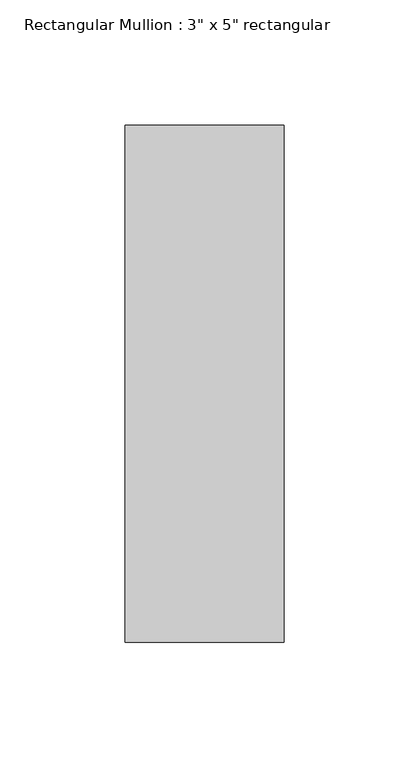
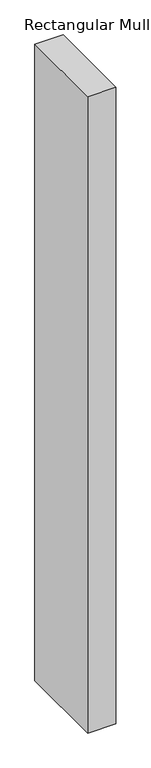
"""IFC4 building model written with IfcOpenShell, lengths in millimetres: member geometry."""

import ifcopenshell
import ifcopenshell.guid

model = None  # the IFC model being written
_history = None  # IfcOwnerHistory: only IFC2X3 demands one
_inside = {}  # id of a spatial element -> (the spatial element, [elements in it])
_under = {}  # id of a project, library or spatial element -> (it, [spatial elements below it])
_declared = {}  # id of a project -> (the project, [libraries it declares])
_typed = {}  # id of a type object -> (the type object, [elements of that type])
_made_of = {}  # id of a material, layer set ... -> (it, [elements and type objects made of it])


def new_model(schema):
    """Start an empty IFC model of exactly this schema.

    Asked for "IFC4X3", IfcOpenShell would pick the latest addendum, in which some entities
    have other attributes; the version numbers below select the first issue.
    IFC2X3 requires an IfcOwnerHistory on every rooted entity: one is made here for all.
    """
    global model, _history
    if schema == "IFC4X3":
        model = ifcopenshell.file(schema_version=(4, 3, 0, 0))
    else:
        model = ifcopenshell.file(schema=schema)
    _inside.clear()
    _under.clear()
    _declared.clear()
    _typed.clear()
    _made_of.clear()
    _history = None
    if model.schema == "IFC2X3":
        org = make("IfcOrganization", Name="unknown")
        user = make(
            "IfcPersonAndOrganization",
            ThePerson=make("IfcPerson", FamilyName="unknown"),
            TheOrganization=org,
        )
        app = make(
            "IfcApplication",
            ApplicationDeveloper=org,
            Version="unknown",
            ApplicationFullName="unknown",
            ApplicationIdentifier="unknown",
        )
        _history = make(
            "IfcOwnerHistory",
            OwningUser=user,
            OwningApplication=app,
            ChangeAction="ADDED",
            CreationDate=0,
        )
    return model


def make(cls, **values):
    """One entity of the class cls with the attributes given. An attribute that is None is left unset."""
    return model.create_entity(
        cls, **{name: value for name, value in values.items() if value is not None}
    )


def rooted(cls, **values):
    """An entity with a GlobalId (a new one), such as an element, a storey or a relation."""
    return make(cls, GlobalId=ifcopenshell.guid.new(), OwnerHistory=_history, **values)


def si_unit(unit_type, name, prefix=None):
    """IfcSIUnit, for example si_unit("LENGTHUNIT", "METRE", prefix="MILLI")."""
    return make("IfcSIUnit", UnitType=unit_type, Prefix=prefix, Name=name)


def assignment(units):
    """IfcUnitAssignment: the units of a project."""
    return None if units is None else make("IfcUnitAssignment", Units=units)


def point(xyz):
    """IfcCartesianPoint."""
    return None if xyz is None else make("IfcCartesianPoint", Coordinates=xyz)


def direction(xyz):
    """IfcDirection."""
    return None if xyz is None else make("IfcDirection", DirectionRatios=xyz)


def frame(location, z_axis=None, x_axis=None):
    """IfcAxis2Placement3D, a coordinate frame: its origin and axes. An axis left out is left unset."""
    return make(
        "IfcAxis2Placement3D",
        Location=point(location),
        Axis=direction(z_axis),
        RefDirection=direction(x_axis),
    )


def origin():
    """The frame at (0, 0, 0) with its axes left unset."""
    return frame((0.0, 0.0, 0.0))


def place(relative_to, where):
    """IfcLocalPlacement: puts the frame where relative to a parent placement (None: the world)."""
    return make(
        "IfcLocalPlacement", PlacementRelTo=relative_to, RelativePlacement=where
    )


def context(
    kind, dimensions, precision=None, world=None, true_north=None, identifier=None
):
    """IfcGeometricRepresentationContext, for example the 3D "Model" context."""
    return make(
        "IfcGeometricRepresentationContext",
        ContextIdentifier=identifier,
        ContextType=kind,
        CoordinateSpaceDimension=dimensions,
        Precision=precision,
        WorldCoordinateSystem=world,
        TrueNorth=true_north,
    )


def project(units=None, contexts=None):
    """IfcProject with its units and contexts."""
    return rooted(
        "IfcProject",
        Name="project",
        RepresentationContexts=contexts,
        UnitsInContext=assignment(units),
    )


def spatial(cls, under=None, at=None, **own):
    """A site, building, storey or space (cls), placed at a placement, below another one or the project."""
    s = rooted(cls, ObjectPlacement=at, **own)
    if under is not None:
        _under.setdefault(under.id(), (under, []))[1].append(s)
    return s


def polyline(points):
    """IfcPolyline through the points."""
    return make("IfcPolyline", Points=[point(p) for p in points])


def outline(outer, holes=None, kind="AREA"):
    """IfcArbitraryClosedProfileDef: a profile drawn as a closed curve; with holes, ...WithVoids."""
    if holes is None:
        return make("IfcArbitraryClosedProfileDef", ProfileType=kind, OuterCurve=outer)
    return make(
        "IfcArbitraryProfileDefWithVoids",
        ProfileType=kind,
        OuterCurve=outer,
        InnerCurves=holes,
    )


def extrude(swept, where, along, depth):
    """IfcExtrudedAreaSolid: the profile swept, set in the frame where, extruded along a direction by depth."""
    return make(
        "IfcExtrudedAreaSolid",
        SweptArea=swept,
        Position=where,
        ExtrudedDirection=direction(along),
        Depth=depth,
    )


def shape(context_of_items, identifier, shape_type, items):
    """IfcShapeRepresentation: the items that make up one representation, for example the "Body"."""
    return make(
        "IfcShapeRepresentation",
        ContextOfItems=context_of_items,
        RepresentationIdentifier=identifier,
        RepresentationType=shape_type,
        Items=items,
    )


def source(mapping_origin, context_of_items, identifier, shape_type, items):
    """IfcRepresentationMap: a shape defined once, which mapped items show again and again."""
    return make(
        "IfcRepresentationMap",
        MappingOrigin=mapping_origin,
        MappedRepresentation=shape(context_of_items, identifier, shape_type, items),
    )


def transform(
    local_origin,
    x_axis=None,
    y_axis=None,
    z_axis=None,
    scale=None,
    scale2=None,
    scale3=None,
    uniform=True,
):
    """IfcCartesianTransformationOperator3D, or its non-uniform kind. x_axis, y_axis, z_axis: its Axis1, 2, 3."""
    if uniform:
        return make(
            "IfcCartesianTransformationOperator3D",
            Axis1=direction(x_axis),
            Axis2=direction(y_axis),
            LocalOrigin=point(local_origin),
            Scale=scale,
            Axis3=direction(z_axis),
        )
    return make(
        "IfcCartesianTransformationOperator3DnonUniform",
        Axis1=direction(x_axis),
        Axis2=direction(y_axis),
        LocalOrigin=point(local_origin),
        Scale=scale,
        Axis3=direction(z_axis),
        Scale2=scale2,
        Scale3=scale3,
    )


def mapped(mapping_source, mapping_target):
    """IfcMappedItem: shows the shape of a source again, moved by a transform."""
    return make(
        "IfcMappedItem", MappingSource=mapping_source, MappingTarget=mapping_target
    )


def made_of(thing, what):
    """Note that an element or type object is made of a material, layer set ...; save() writes the relation."""
    if what is not None:
        _made_of.setdefault(what.id(), (what, []))[1].append(thing)
    return thing


def element(
    cls,
    number,
    at=None,
    inside=None,
    cuts=None,
    type_object=None,
    material=None,
    context=None,
    identifier="Body",
    shape_type=None,
    held_by="IfcProductDefinitionShape",
    body=None,
    shapes=None,
    **own,
):
    """One element of the class cls, such as IfcWall. Its Tag is "e" and its number.

    at: its placement. inside: the storey or other place that contains it. cuts: it is an
    opening in that element (IfcRelVoidsElement). A single representation is given by context,
    identifier, shape_type and body (its items); several are given by shapes. held_by: the class
    of the entity that holds the representations. save() writes the other relations.
    """
    e = rooted(cls, Tag="e%d" % number, ObjectPlacement=at, **own)
    if body is not None:
        shapes = [shape(context, identifier, shape_type, body)]
    if shapes is not None:
        e.Representation = make(held_by, Representations=shapes)
    if inside is not None:
        _inside.setdefault(inside.id(), (inside, []))[1].append(e)
    if cuts is not None:
        rooted(
            "IfcRelVoidsElement", RelatingBuildingElement=cuts, RelatedOpeningElement=e
        )
    if type_object is not None:
        _typed.setdefault(type_object.id(), (type_object, []))[1].append(e)
    return made_of(e, material)


def aggregate(whole, parts):
    """IfcRelAggregates: a whole, such as a stair, and the parts it consists of."""
    return rooted("IfcRelAggregates", RelatingObject=whole, RelatedObjects=parts)


def save(model, path):
    """Write the relations noted so far, then the file.

    IfcRelAggregates (storeys below a building ...), IfcRelContainedInSpatialStructure (elements
    in a storey), IfcRelDefinesByType, IfcRelAssociatesMaterial and IfcRelDeclares: one each for
    every whole, place, type object, material and project.
    """
    for whole, parts in _under.values():
        aggregate(whole, parts)
    for where, things in _inside.values():
        rooted(
            "IfcRelContainedInSpatialStructure",
            RelatedElements=things,
            RelatingStructure=where,
        )
    for kind, things in _typed.values():
        rooted("IfcRelDefinesByType", RelatedObjects=things, RelatingType=kind)
    for what, things in _made_of.values():
        rooted("IfcRelAssociatesMaterial", RelatedObjects=things, RelatingMaterial=what)
    for by, libraries in _declared.values():
        rooted("IfcRelDeclares", RelatingContext=by, RelatedDefinitions=libraries)
    model.write(path)


def member_4889c461(model_context):
    return source(origin(), model_context, "Body", "SweptSolid", [
        extrude(outline(polyline([(31.75, 90.551), (31.75, -115.951), (-31.75, -115.951), (-31.75, 90.551), (31.75, 90.551)])), frame((0.0, 0.0, -1517.65), z_axis=(0.0, 0.0, 1.0), x_axis=(1.0, 0.0, 0.0)), (0.0, 0.0, 1.0), 1517.65),
    ])


if __name__ == "__main__":
    model = new_model("IFC4")
    model_context = context("Model", 3, world=origin())
    ifc_project = project(units=[si_unit("LENGTHUNIT", "METRE", prefix="MILLI")], contexts=[model_context])
    site = spatial("IfcSite", under=ifc_project)
    building = spatial("IfcBuilding", under=site)
    placement = place(None, origin())
    member_shape = member_4889c461(model_context)
    element("IfcMember", 1, ObjectType="Rectangular Mullion : 3\" x 5\" rectangular", at=placement, inside=building, context=model_context, shape_type="MappedRepresentation", body=[
        mapped(member_shape, transform((0.0, 0.0, 0.0), x_axis=(1.0, 0.0, 0.0), y_axis=(0.0, 1.0, 0.0), z_axis=(0.0, 0.0, 1.0))),
    ])
    save(model, "model.ifc")
